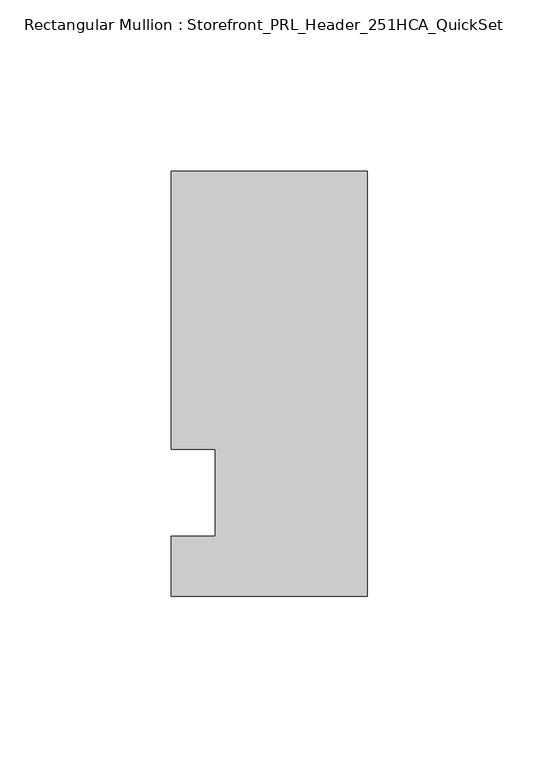
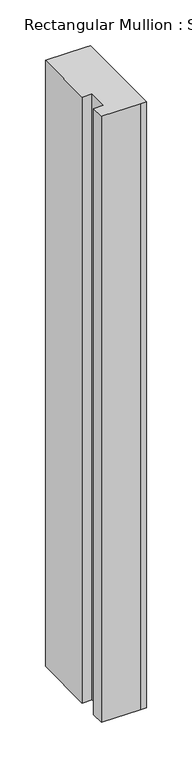
"""IFC4 building model written with IfcOpenShell, lengths in millimetres: member geometry, Rectangular Mullion : Storefront_PRL_Header_251HCA_QuickSet."""

import ifcopenshell
import ifcopenshell.guid

model = None  # the IFC model being written
_history = None  # IfcOwnerHistory: only IFC2X3 demands one
_inside = {}  # id of a spatial element -> (the spatial element, [elements in it])
_under = {}  # id of a project, library or spatial element -> (it, [spatial elements below it])
_declared = {}  # id of a project -> (the project, [libraries it declares])
_typed = {}  # id of a type object -> (the type object, [elements of that type])
_made_of = {}  # id of a material, layer set ... -> (it, [elements and type objects made of it])


def new_model(schema):
    """Start an empty IFC model of exactly this schema.

    Asked for "IFC4X3", IfcOpenShell would pick the latest addendum, in which some entities
    have other attributes; the version numbers below select the first issue.
    IFC2X3 requires an IfcOwnerHistory on every rooted entity: one is made here for all.
    """
    global model, _history
    if schema == "IFC4X3":
        model = ifcopenshell.file(schema_version=(4, 3, 0, 0))
    else:
        model = ifcopenshell.file(schema=schema)
    _inside.clear()
    _under.clear()
    _declared.clear()
    _typed.clear()
    _made_of.clear()
    _history = None
    if model.schema == "IFC2X3":
        org = make("IfcOrganization", Name="unknown")
        user = make(
            "IfcPersonAndOrganization",
            ThePerson=make("IfcPerson", FamilyName="unknown"),
            TheOrganization=org,
        )
        app = make(
            "IfcApplication",
            ApplicationDeveloper=org,
            Version="unknown",
            ApplicationFullName="unknown",
            ApplicationIdentifier="unknown",
        )
        _history = make(
            "IfcOwnerHistory",
            OwningUser=user,
            OwningApplication=app,
            ChangeAction="ADDED",
            CreationDate=0,
        )
    return model


def make(cls, **values):
    """One entity of the class cls with the attributes given. An attribute that is None is left unset."""
    return model.create_entity(
        cls, **{name: value for name, value in values.items() if value is not None}
    )


def rooted(cls, **values):
    """An entity with a GlobalId (a new one), such as an element, a storey or a relation."""
    return make(cls, GlobalId=ifcopenshell.guid.new(), OwnerHistory=_history, **values)


def si_unit(unit_type, name, prefix=None):
    """IfcSIUnit, for example si_unit("LENGTHUNIT", "METRE", prefix="MILLI")."""
    return make("IfcSIUnit", UnitType=unit_type, Prefix=prefix, Name=name)


def assignment(units):
    """IfcUnitAssignment: the units of a project."""
    return None if units is None else make("IfcUnitAssignment", Units=units)


def point(xyz):
    """IfcCartesianPoint."""
    return None if xyz is None else make("IfcCartesianPoint", Coordinates=xyz)


def direction(xyz):
    """IfcDirection."""
    return None if xyz is None else make("IfcDirection", DirectionRatios=xyz)


def frame(location, z_axis=None, x_axis=None):
    """IfcAxis2Placement3D, a coordinate frame: its origin and axes. An axis left out is left unset."""
    return make(
        "IfcAxis2Placement3D",
        Location=point(location),
        Axis=direction(z_axis),
        RefDirection=direction(x_axis),
    )


def origin():
    """The frame at (0, 0, 0) with its axes left unset."""
    return frame((0.0, 0.0, 0.0))


def place(relative_to, where):
    """IfcLocalPlacement: puts the frame where relative to a parent placement (None: the world)."""
    return make(
        "IfcLocalPlacement", PlacementRelTo=relative_to, RelativePlacement=where
    )


def context(
    kind, dimensions, precision=None, world=None, true_north=None, identifier=None
):
    """IfcGeometricRepresentationContext, for example the 3D "Model" context."""
    return make(
        "IfcGeometricRepresentationContext",
        ContextIdentifier=identifier,
        ContextType=kind,
        CoordinateSpaceDimension=dimensions,
        Precision=precision,
        WorldCoordinateSystem=world,
        TrueNorth=true_north,
    )


def project(units=None, contexts=None):
    """IfcProject with its units and contexts."""
    return rooted(
        "IfcProject",
        Name="project",
        RepresentationContexts=contexts,
        UnitsInContext=assignment(units),
    )


def spatial(cls, under=None, at=None, **own):
    """A site, building, storey or space (cls), placed at a placement, below another one or the project."""
    s = rooted(cls, ObjectPlacement=at, **own)
    if under is not None:
        _under.setdefault(under.id(), (under, []))[1].append(s)
    return s


def polyline(points):
    """IfcPolyline through the points."""
    return make("IfcPolyline", Points=[point(p) for p in points])


def outline(outer, holes=None, kind="AREA"):
    """IfcArbitraryClosedProfileDef: a profile drawn as a closed curve; with holes, ...WithVoids."""
    if holes is None:
        return make("IfcArbitraryClosedProfileDef", ProfileType=kind, OuterCurve=outer)
    return make(
        "IfcArbitraryProfileDefWithVoids",
        ProfileType=kind,
        OuterCurve=outer,
        InnerCurves=holes,
    )


def extrude(swept, where, along, depth):
    """IfcExtrudedAreaSolid: the profile swept, set in the frame where, extruded along a direction by depth."""
    return make(
        "IfcExtrudedAreaSolid",
        SweptArea=swept,
        Position=where,
        ExtrudedDirection=direction(along),
        Depth=depth,
    )


def shape(context_of_items, identifier, shape_type, items):
    """IfcShapeRepresentation: the items that make up one representation, for example the "Body"."""
    return make(
        "IfcShapeRepresentation",
        ContextOfItems=context_of_items,
        RepresentationIdentifier=identifier,
        RepresentationType=shape_type,
        Items=items,
    )


def source(mapping_origin, context_of_items, identifier, shape_type, items):
    """IfcRepresentationMap: a shape defined once, which mapped items show again and again."""
    return make(
        "IfcRepresentationMap",
        MappingOrigin=mapping_origin,
        MappedRepresentation=shape(context_of_items, identifier, shape_type, items),
    )


def transform(
    local_origin,
    x_axis=None,
    y_axis=None,
    z_axis=None,
    scale=None,
    scale2=None,
    scale3=None,
    uniform=True,
):
    """IfcCartesianTransformationOperator3D, or its non-uniform kind. x_axis, y_axis, z_axis: its Axis1, 2, 3."""
    if uniform:
        return make(
            "IfcCartesianTransformationOperator3D",
            Axis1=direction(x_axis),
            Axis2=direction(y_axis),
            LocalOrigin=point(local_origin),
            Scale=scale,
            Axis3=direction(z_axis),
        )
    return make(
        "IfcCartesianTransformationOperator3DnonUniform",
        Axis1=direction(x_axis),
        Axis2=direction(y_axis),
        LocalOrigin=point(local_origin),
        Scale=scale,
        Axis3=direction(z_axis),
        Scale2=scale2,
        Scale3=scale3,
    )


def mapped(mapping_source, mapping_target):
    """IfcMappedItem: shows the shape of a source again, moved by a transform."""
    return make(
        "IfcMappedItem", MappingSource=mapping_source, MappingTarget=mapping_target
    )


def made_of(thing, what):
    """Note that an element or type object is made of a material, layer set ...; save() writes the relation."""
    if what is not None:
        _made_of.setdefault(what.id(), (what, []))[1].append(thing)
    return thing


def element(
    cls,
    number,
    at=None,
    inside=None,
    cuts=None,
    type_object=None,
    material=None,
    context=None,
    identifier="Body",
    shape_type=None,
    held_by="IfcProductDefinitionShape",
    body=None,
    shapes=None,
    **own,
):
    """One element of the class cls, such as IfcWall. Its Tag is "e" and its number.

    at: its placement. inside: the storey or other place that contains it. cuts: it is an
    opening in that element (IfcRelVoidsElement). A single representation is given by context,
    identifier, shape_type and body (its items); several are given by shapes. held_by: the class
    of the entity that holds the representations. save() writes the other relations.
    """
    e = rooted(cls, Tag="e%d" % number, ObjectPlacement=at, **own)
    if body is not None:
        shapes = [shape(context, identifier, shape_type, body)]
    if shapes is not None:
        e.Representation = make(held_by, Representations=shapes)
    if inside is not None:
        _inside.setdefault(inside.id(), (inside, []))[1].append(e)
    if cuts is not None:
        rooted(
            "IfcRelVoidsElement", RelatingBuildingElement=cuts, RelatedOpeningElement=e
        )
    if type_object is not None:
        _typed.setdefault(type_object.id(), (type_object, []))[1].append(e)
    return made_of(e, material)


def aggregate(whole, parts):
    """IfcRelAggregates: a whole, such as a stair, and the parts it consists of."""
    return rooted("IfcRelAggregates", RelatingObject=whole, RelatedObjects=parts)


def save(model, path):
    """Write the relations noted so far, then the file.

    IfcRelAggregates (storeys below a building ...), IfcRelContainedInSpatialStructure (elements
    in a storey), IfcRelDefinesByType, IfcRelAssociatesMaterial and IfcRelDeclares: one each for
    every whole, place, type object, material and project.
    """
    for whole, parts in _under.values():
        aggregate(whole, parts)
    for where, things in _inside.values():
        rooted(
            "IfcRelContainedInSpatialStructure",
            RelatedElements=things,
            RelatingStructure=where,
        )
    for kind, things in _typed.values():
        rooted("IfcRelDefinesByType", RelatedObjects=things, RelatingType=kind)
    for what, things in _made_of.values():
        rooted("IfcRelAssociatesMaterial", RelatedObjects=things, RelatingMaterial=what)
    for by, libraries in _declared.values():
        rooted("IfcRelDeclares", RelatingContext=by, RelatedDefinitions=libraries)
    model.write(path)


def rectangular_mullion_storefront_prl_header_251hca_quickset_effcec1d(model_context):
    return source(origin(), model_context, "Body", "SweptSolid", [
        extrude(outline(polyline([(-44.45, 12.7), (-57.15, 12.7), (-57.15, 93.6625), (-6.35, 93.6625), (0.0, 93.6625), (0.0, -30.1625), (-7.7254924, -30.1625), (-57.15, -30.1625), (-57.15, -12.7), (-44.45, -12.7), (-44.45, 12.7)])), frame((0.0, 0.0, -812.8), z_axis=(0.0, 0.0, 1.0), x_axis=(1.0, 0.0, 0.0)), (0.0, 0.0, 1.0), 812.8),
    ])


if __name__ == "__main__":
    model = new_model("IFC4")
    model_context = context("Model", 3, world=origin())
    ifc_project = project(units=[si_unit("LENGTHUNIT", "METRE", prefix="MILLI")], contexts=[model_context])
    site = spatial("IfcSite", under=ifc_project)
    building = spatial("IfcBuilding", under=site)
    placement = place(None, origin())
    rectangular_mullion_storefront_prl_header_251hca_quickset_shape = rectangular_mullion_storefront_prl_header_251hca_quickset_effcec1d(model_context)
    element("IfcMember", 1, ObjectType="Rectangular Mullion : Storefront_PRL_Header_251HCA_QuickSet", at=placement, inside=building, context=model_context, shape_type="MappedRepresentation", body=[
        mapped(rectangular_mullion_storefront_prl_header_251hca_quickset_shape, transform((0.0, 0.0, 0.0), x_axis=(1.0, 0.0, 0.0), y_axis=(0.0, 1.0, 0.0), z_axis=(0.0, 0.0, 1.0))),
    ])
    save(model, "model.ifc")
